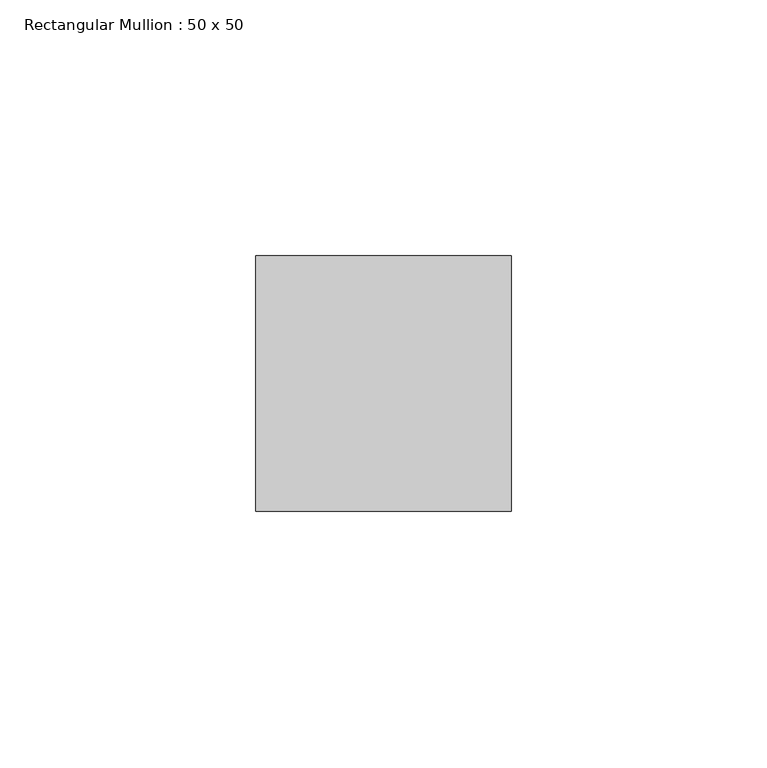
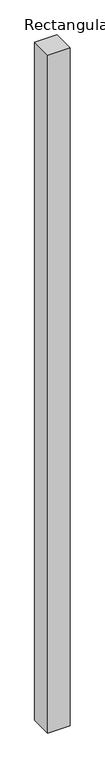
"""IFC4 building model written with IfcOpenShell, lengths in millimetres: member geometry, Rectangular Mullion : 50 x 50."""

from ifc_helpers import new_model, si_unit, frame, origin, place, context, project, spatial, polyline, outline, extrude, source, transform, mapped, element, save


def rectangular_mullion_50_x_50_dfe53181(model_context):
    return source(origin(), model_context, "Body", "SweptSolid", [
        extrude(outline(polyline([(25.0, 25.0), (25.0, -25.0), (-25.0, -25.0), (-25.0, 25.0), (25.0, 25.0)])), frame((0.0, 0.0, -1599.3409676), z_axis=(0.0, 0.0, 1.0), x_axis=(1.0, 0.0, 0.0)), (0.0, 0.0, 1.0), 1599.3409676),
    ])


if __name__ == "__main__":
    model = new_model("IFC4")
    model_context = context("Model", 3, world=origin())
    ifc_project = project(units=[si_unit("LENGTHUNIT", "METRE", prefix="MILLI")], contexts=[model_context])
    site = spatial("IfcSite", under=ifc_project)
    building = spatial("IfcBuilding", under=site)
    placement = place(None, origin())
    rectangular_mullion_50_x_50_shape = rectangular_mullion_50_x_50_dfe53181(model_context)
    element("IfcMember", 1, ObjectType="Rectangular Mullion : 50 x 50", at=placement, inside=building, context=model_context, shape_type="MappedRepresentation", body=[
        mapped(rectangular_mullion_50_x_50_shape, transform((0.0, 0.0, 0.0), x_axis=(1.0, 0.0, 0.0), y_axis=(0.0, 1.0, 0.0), z_axis=(0.0, 0.0, 1.0))),
    ])
    save(model, "model.ifc")
